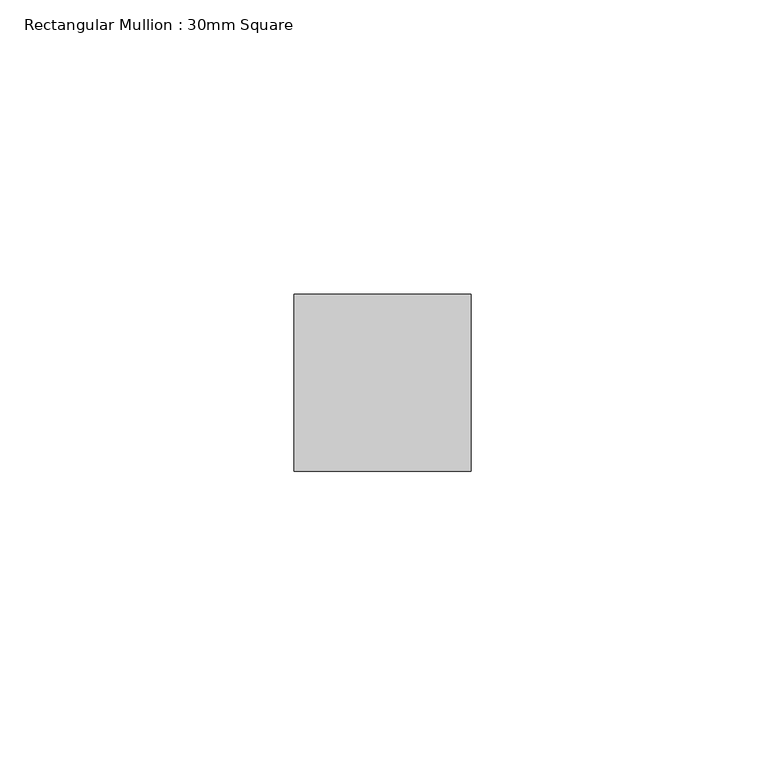
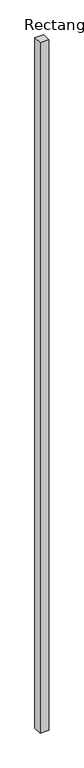
"""IFC4 building model written with IfcOpenShell, lengths in millimetres: member geometry, Rectangular Mullion : 30mm Square."""

from ifc_helpers import new_model, si_unit, frame, origin, place, context, project, spatial, polyline, outline, extrude, source, transform, mapped, element, save


def rectangular_mullion_30mm_square_9cf49471(model_context):
    return source(origin(), model_context, "Body", "SweptSolid", [
        extrude(outline(polyline([(15.0, 15.0), (15.0, -15.0), (-15.0, -15.0), (-15.0, 15.0), (15.0, 15.0)])), frame((0.0, 0.0, -2470.0000003), z_axis=(0.0, 0.0, 1.0), x_axis=(1.0, 0.0, 0.0)), (0.0, 0.0, 1.0), 2470.0000003),
    ])


if __name__ == "__main__":
    model = new_model("IFC4")
    model_context = context("Model", 3, world=origin())
    ifc_project = project(units=[si_unit("LENGTHUNIT", "METRE", prefix="MILLI")], contexts=[model_context])
    site = spatial("IfcSite", under=ifc_project)
    building = spatial("IfcBuilding", under=site)
    placement = place(None, origin())
    rectangular_mullion_30mm_square_shape = rectangular_mullion_30mm_square_9cf49471(model_context)
    element("IfcMember", 1, ObjectType="Rectangular Mullion : 30mm Square", at=placement, inside=building, context=model_context, shape_type="MappedRepresentation", body=[
        mapped(rectangular_mullion_30mm_square_shape, transform((0.0, 0.0, 0.0), x_axis=(1.0, 0.0, 0.0), y_axis=(0.0, 1.0, 0.0), z_axis=(0.0, 0.0, 1.0))),
    ])
    save(model, "model.ifc")
